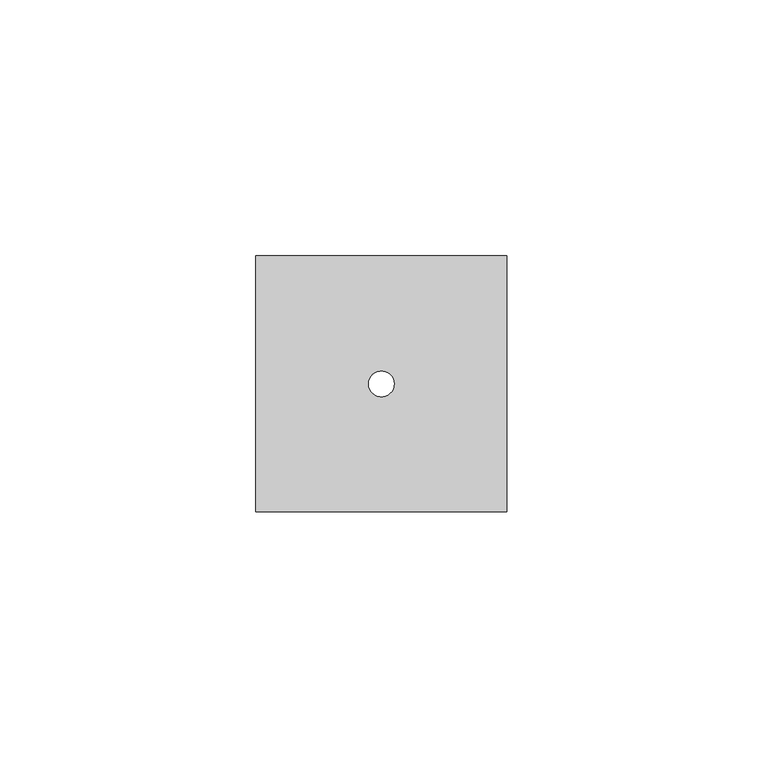
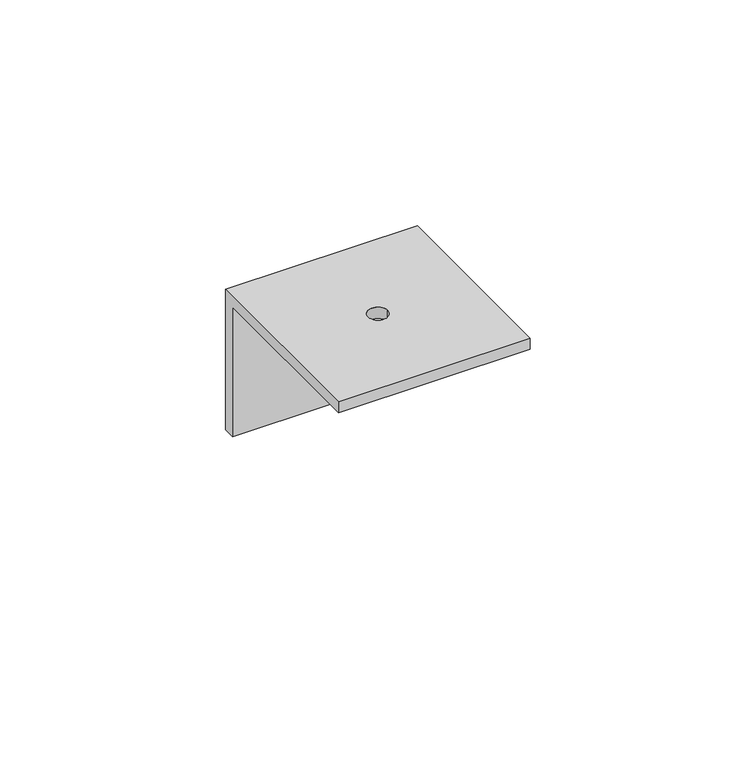
"""IFC4 building model written with IfcOpenShell, lengths in millimetres: proxy geometry."""

from ifc_helpers import new_model, si_unit, frame, origin, place, context, project, spatial, polyline, circle_curve, source, transform, mapped, element, save
from ifc_brep_helpers import plane_surface, revolved_surface, advanced_brep


def generic_models_478a6bcc(model_context):
    return source(origin(), model_context, "Body", "AdvancedBrep", [
        advanced_brep(
        [(49.0, 0.0, 25.0), (49.0, -50.0, 25.0), (49.0, -50.0, 22.0), (49.0, -3.0, 22.0), (49.0, -3.0, -13.0), (49.0, 0.0, -13.0), (0.0, 0.0, 25.0), (0.0, 0.0, -13.0), (0.0, -3.0, -13.0), (0.0, -3.0, 22.0), (0.0, -50.0, 22.0), (0.0, -50.0, 25.0), (27.0, -25.0, 25.0), (22.0, -25.0, 25.0), (22.0, -25.0, 22.0), (27.0, -25.0, 22.0)],
        [
            (0, 1),
            (1, 2),
            (2, 3),
            (3, 4),
            (4, 5),
            (5, 0),
            (6, 7),
            (7, 8),
            (8, 9),
            (9, 10),
            (10, 11),
            (11, 6),
            (0, 6),
            (11, 1),
            (12, 13, circle_curve(frame((24.5, -25.0, 25.0), z_axis=(0.0, 0.0, -1.0), x_axis=(1.0, 0.0, 0.0)), 2.5)),
            (13, 12, circle_curve(frame((24.5, -25.0, 25.0), z_axis=(0.0, 0.0, -1.0), x_axis=(1.0, 0.0, 0.0)), 2.5)),
            (10, 2),
            (9, 3),
            (14, 15, circle_curve(frame((24.5, -25.0, 22.0), z_axis=(0.0, 0.0, 1.0), x_axis=(1.0, 0.0, 0.0)), 2.5)),
            (15, 14, circle_curve(frame((24.5, -25.0, 22.0), z_axis=(0.0, 0.0, 1.0), x_axis=(1.0, 0.0, 0.0)), 2.5)),
            (8, 4),
            (7, 5),
            (14, 13),
            (12, 15),
        ],
        [
            plane_surface(frame((49.0, 0.0, 25.0), z_axis=(1.0, 0.0, 0.0), x_axis=(0.0, -1.0, 0.0))),
            plane_surface(frame((0.0, 0.0, 25.0), z_axis=(-1.0, 0.0, 0.0), x_axis=(0.0, 1.0, 0.0))),
            plane_surface(frame((49.0, 0.0, 25.0), z_axis=(0.0, 0.0, 1.0), x_axis=(-1.0, 0.0, 0.0))),
            plane_surface(frame((49.0, -50.0, 25.0), z_axis=(0.0, -1.0, 0.0), x_axis=(-1.0, 0.0, 0.0))),
            plane_surface(frame((49.0, -50.0, 22.0), z_axis=(0.0, 0.0, -1.0), x_axis=(-1.0, 0.0, 0.0))),
            plane_surface(frame((49.0, -3.0, 22.0), z_axis=(0.0, -1.0, 0.0), x_axis=(-1.0, 0.0, 0.0))),
            plane_surface(frame((49.0, -3.0, -13.0), z_axis=(0.0, 0.0, -1.0), x_axis=(-1.0, 0.0, 0.0))),
            plane_surface(frame((49.0, 0.0, -13.0), z_axis=(0.0, 1.0, 0.0), x_axis=(-1.0, 0.0, 0.0))),
            revolved_surface(polyline([(27.0, -25.0, 25.0), (27.0, -25.0, 22.0)]), (24.5, -25.0, 0.0), (0.0, 0.0, 1.0)),
        ],
        [
            (0, [[1, 2, 3, 4, 5, 6]]),
            (1, [[7, 8, 9, 10, 11, 12]]),
            (2, [[-1, 13, -12, 14], [15, 16]]),
            (3, [[-2, -14, -11, 17]]),
            (4, [[-3, -17, -10, 18], [19, 20]]),
            (5, [[-4, -18, -9, 21]]),
            (6, [[-5, -21, -8, 22]]),
            (7, [[-6, -22, -7, -13]]),
            (8, [[23, -15, 24, -19]]),
            (8, [[-23, -20, -24, -16]]),
        ],
    ),
    ])


if __name__ == "__main__":
    model = new_model("IFC4")
    model_context = context("Model", 3, world=origin())
    ifc_project = project(units=[si_unit("LENGTHUNIT", "METRE", prefix="MILLI")], contexts=[model_context])
    site = spatial("IfcSite", under=ifc_project)
    building = spatial("IfcBuilding", under=site)
    placement = place(None, origin())
    generic_models_shape = generic_models_478a6bcc(model_context)
    element("IfcBuildingElementProxy", 1, Name="Generic Models", at=placement, inside=building, context=model_context, shape_type="MappedRepresentation", body=[
        mapped(generic_models_shape, transform((0.0, 0.0, 0.0), x_axis=(1.0, 0.0, 0.0), y_axis=(0.0, 1.0, 0.0), z_axis=(0.0, 0.0, 1.0))),
    ])
    save(model, "model.ifc")
